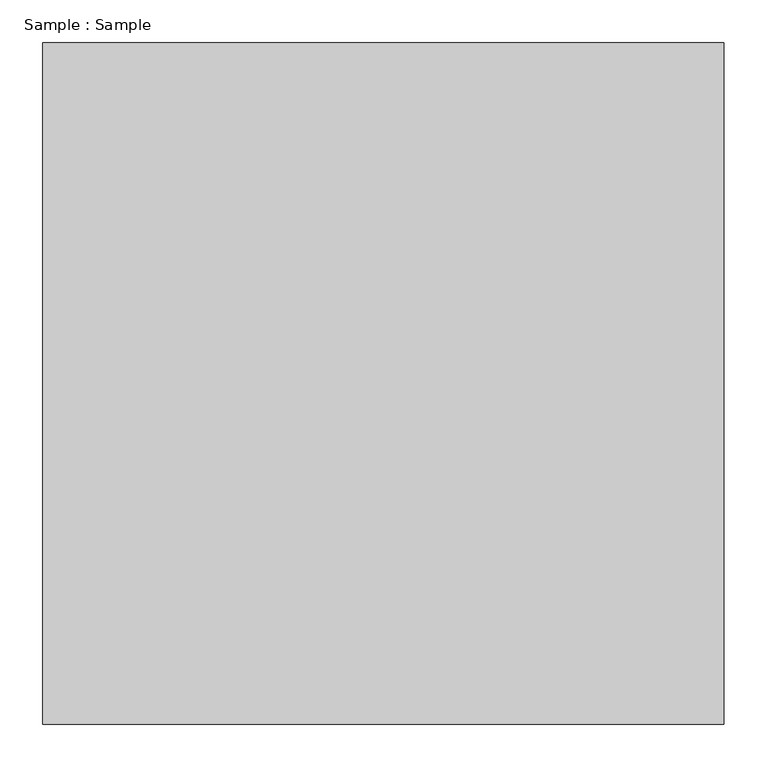
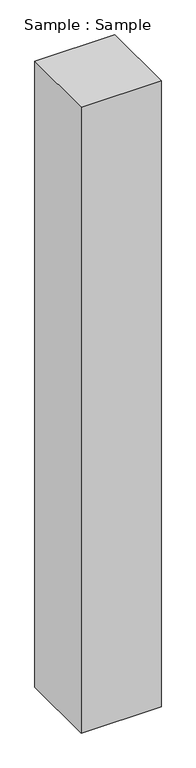
"""IFC4 building model written with IfcOpenShell, lengths in millimetres: proxy geometry, Sample : Sample."""

from ifc_helpers import new_model, si_unit, origin, origin_with_axes, place, context, project, spatial, polyline, outline, extrude, source, transform, mapped, element, save


def sample_sample_09464cf3(model_context):
    return source(origin(), model_context, "Body", "SweptSolid", [
        extrude(outline(polyline([(400.0, 400.0), (400.0, -400.0), (-400.0, -400.0), (-400.0, 400.0), (400.0, 400.0)])), origin_with_axes(), (0.0, 0.0, 1.0), 6620.6896552),
    ])


if __name__ == "__main__":
    model = new_model("IFC4")
    model_context = context("Model", 3, world=origin())
    ifc_project = project(units=[si_unit("LENGTHUNIT", "METRE", prefix="MILLI")], contexts=[model_context])
    site = spatial("IfcSite", under=ifc_project)
    building = spatial("IfcBuilding", under=site)
    placement = place(None, origin())
    sample_sample_shape = sample_sample_09464cf3(model_context)
    element("IfcBuildingElementProxy", 1, Name="Sample : Sample", ObjectType="Sample : Sample", at=placement, inside=building, context=model_context, shape_type="MappedRepresentation", body=[
        mapped(sample_sample_shape, transform((0.0, 0.0, 0.0), x_axis=(1.0, 0.0, 0.0), y_axis=(0.0, 1.0, 0.0), z_axis=(0.0, 0.0, 1.0))),
    ])
    save(model, "model.ifc")
